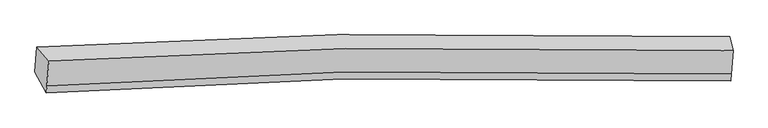
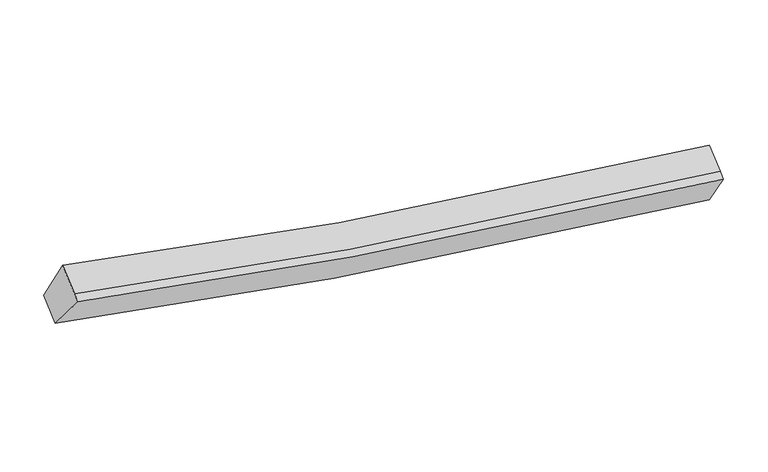
"""IFC4 building model written with IfcOpenShell, lengths in millimetres: proxy geometry."""

from ifc_helpers import new_model, si_unit, frame, origin, place, context, project, spatial, source, transform, mapped, element, save
from ifc_brep_helpers import plane_surface, spline_curve, spline_surface, advanced_brep


def generic_models_3f179dea(model_context):
    return source(origin(), model_context, "Body", "AdvancedBrep", [
        advanced_brep(
        [(-5308.5290532, -1826.6365706, 3950.5650433), (-5102.6997469, -2063.9900258, 4593.2053373), (6658.8209664, -1887.7505981, 2660.2050959), (6601.8414852, -1645.468314, 1989.5773699), (-5138.5167262, -2500.5524618, 4325.8320148), (6625.7957311, -2290.2853019, 2413.6721094), (-5148.2878304, -2619.6495247, 4252.890839), (6616.024627, -2409.3823648, 2340.7309336), (-5343.8385239, -2257.0131363, 3686.9802665), (6569.3237586, -2041.8171474, 1746.832929)],
        [
            (0, 1),
            (1, 2, spline_curve(3, [(-5102.6997469, -2063.9900258, 4593.2053373), (-3414.026526767, -1961.008016944, 4159.195506968), (-1713.467732651, -1891.844202742, 3791.715365024), (2199.30194491, -1811.08288301, 3104.072699193), (4419.250054938, -1821.500221394, 2827.219427423), (6658.8209664, -1887.7505981, 2660.2050959)], [4, 2, 4], [0.0, 17.250427442464876, 39.4155574602388])),
            (2, 3),
            (3, 0, spline_curve(3, [(6601.8414852, -1645.468314, 1989.5773699), (4333.716239339, -1578.528562592, 2159.291204429), (2085.580835201, -1568.329066701, 2440.276097679), (-1876.660726174, -1651.091042613, 3137.812588717), (-3598.648835511, -1721.679957641, 3510.490253062), (-5308.5290532, -1826.6365706, 3950.5650433)], [4, 2, 4], [0.0, 22.165130017773926, 39.4155574602388])),
            (1, 4),
            (4, 5, spline_curve(3, [(-5138.5167262, -2500.5524618, 4325.8320148), (-3448.505651089, -2381.263736318, 3901.80925778), (-1747.016275345, -2300.757345038, 3541.275894475), (2166.949109202, -2205.421910327, 2862.559166683), (4386.897218675, -2215.839249009, 2585.705895645), (6625.7957311, -2290.2853019, 2413.6721094)], [4, 2, 4], [0.0, 17.141293945019616, 39.16619797893103])),
            (5, 2),
            (4, 6),
            (6, 7, spline_curve(3, [(-5148.2878304, -2619.6495247, 4252.890839), (-3458.276755296, -2500.360799253, 3828.868081554), (-1756.787379322, -2419.85440773, 3468.334718202), (2157.178004715, -2324.518973493, 2789.617991491), (4377.12611438, -2334.936311708, 2512.764719858), (6616.024627, -2409.3823648, 2340.7309336)], [4, 2, 4], [0.0, 17.141145742850384, 39.16585935131519])),
            (7, 5),
            (6, 8),
            (8, 9, spline_curve(3, [(-5343.8385239, -2257.0131363, 3686.9802665), (-3632.620451257, -2135.749806902, 3256.892549223), (-1909.701760623, -2053.818314281, 2891.161663774), (2053.73550832, -1956.48222414, 2202.551110762), (4301.870911779, -1966.681720274, 1921.566217692), (6569.3237586, -2041.8171474, 1746.832929)], [4, 2, 4], [0.0, 17.250156702822146, 39.414938846353415])),
            (9, 7),
            (8, 0),
            (3, 9),
        ],
        [
            spline_surface(3, 3, [[(-5308.5290532, -1826.6365706, 3950.5650433), (-3598.648835711, -1721.679957812, 3510.490253104), (-1876.660726419, -1651.091042818, 3137.812588604), (2085.580835516, -1568.329066438, 2440.276097824), (4333.716238991, -1578.528562586, 2159.291204538), (6601.8414852, -1645.468314, 1989.5773699)], [(-5239.919284436, -1905.754388996, 4164.778474608), (-3537.108066071, -1801.455977512, 3726.725337713), (-1822.263061743, -1731.342096153, 3355.780180701), (2123.48787188, -1649.247005256, 2661.541631675), (4362.227510862, -1659.519115438, 2381.933945578), (6620.83464559, -1726.229075398, 2213.119945235)], [(-5171.309515664, -1984.872207404, 4378.991905992), (-3475.567296424, -1881.231997224, 3942.960422399), (-1767.865397081, -1811.593149494, 3573.74777279), (2161.394908231, -1730.164944081, 2882.807165518), (4390.738782762, -1740.509668195, 2604.576686613), (6639.82780601, -1806.989836702, 2436.662520565)], [(-5102.6997469, -2063.9900258, 4593.2053373), (-3414.026526784, -1961.008016925, 4159.195507008), (-1713.467732406, -1891.844202828, 3791.715364886), (2199.301944596, -1811.082882899, 3104.072699369), (4419.250054633, -1821.500221047, 2827.219427653), (6658.8209664, -1887.7505981, 2660.2050959)]], [4, 4], [4, 2, 4], [0.0, 2.3468584038053115], [0.0, 17.250427442464876, 39.4155574602388]),
            spline_surface(3, 3, [[(-5102.6997469, -2063.9900258, 4593.2053373), (-3414.026526784, -1961.008016925, 4159.195507008), (-1713.467732406, -1891.844202828, 3791.715364886), (2199.301944596, -1811.082882899, 3104.072699369), (4419.250054633, -1821.500221047, 2827.219427653), (6658.8209664, -1887.7505981, 2660.2050959)], [(-5114.638739998, -2209.5108378, 4504.080896484), (-3425.519568148, -2101.093256761, 4073.400090563), (-1724.650579986, -2028.148583525, 3708.235541324), (2188.51766601, -1942.529225458, 3023.568188593), (4408.465776048, -1952.946563605, 2746.714916876), (6647.812554651, -2021.92883268, 2578.027433734)], [(-5126.577733102, -2355.0316498, 4414.956455616), (-3437.012609517, -2241.178496598, 3987.604674066), (-1735.833427519, -2164.45296418, 3624.755717761), (2177.733387472, -2073.975567975, 2943.063677815), (4397.68149741, -2084.392906223, 2666.210406099), (6636.804142849, -2156.10706732, 2495.849771566)], [(-5138.5167262, -2500.5524618, 4325.8320148), (-3448.50565088, -2381.263736434, 3901.80925762), (-1747.0162751, -2300.757344877, 3541.275894198), (2166.949108887, -2205.421910533, 2862.559167038), (4386.897218824, -2215.839248781, 2585.705895322), (6625.7957311, -2290.2853019, 2413.6721094)]], [4, 4], [4, 2, 4], [0.0, 1.543094660041968], [0.0, 17.141293945019616, 39.16619797893103]),
            spline_surface(3, 3, [[(-5138.5167262, -2500.5524618, 4325.8320148), (-3448.50565088, -2381.263736434, 3901.80925762), (-1747.0162751, -2300.757344877, 3541.275894198), (2166.949108887, -2205.421910533, 2862.559167038), (4386.897218824, -2215.839248781, 2585.705895322), (6625.7957311, -2290.2853019, 2413.6721094)], [(-5141.773760921, -2540.251482768, 4301.518289525), (-3451.762685601, -2420.962757403, 3877.495532345), (-1750.273309821, -2340.456365845, 3516.962168923), (2163.692074166, -2245.120931502, 2838.245441763), (4383.640184103, -2255.53826975, 2561.392170047), (6622.538696379, -2329.984322868, 2389.358384125)], [(-5145.030795679, -2579.950503732, 4277.204564275), (-3455.019720359, -2460.661778366, 3853.181807095), (-1753.530344579, -2380.155386808, 3492.648443673), (2160.435039408, -2284.819952465, 2813.931716513), (4380.383149446, -2295.237290713, 2537.078444797), (6619.281661721, -2369.683343832, 2365.044658875)], [(-5148.2878304, -2619.6495247, 4252.890839), (-3458.27675508, -2500.360799334, 3828.86808182), (-1756.7873793, -2419.854407777, 3468.334718398), (2157.178004687, -2324.518973433, 2789.617991238), (4377.126114724, -2334.936311681, 2512.764719522), (6616.024627, -2409.3823648, 2340.7309336)]], [4, 4], [4, 2, 4], [0.0, 0.4593175853018384], [0.0, 17.141145742850384, 39.16585935131519]),
            spline_surface(3, 3, [[(-5148.2878304, -2619.6495247, 4252.890839), (-3458.27675508, -2500.360799334, 3828.86808182), (-1756.7873793, -2419.854407777, 3468.334718398), (2157.178004687, -2324.518973433, 2789.617991238), (4377.126114724, -2334.936311681, 2512.764719522), (6616.024627, -2409.3823648, 2340.7309336)], [(-5213.471394911, -2498.770728557, 4064.253981506), (-3516.391320466, -2378.823801887, 3638.209571025), (-1807.758839721, -2297.842376696, 3275.943700116), (2122.697172576, -2201.840056868, 2593.929031202), (4352.041047107, -2212.184781083, 2315.698552296), (6600.457670864, -2286.860625655, 2142.76493208)], [(-5278.654959389, -2377.891932443, 3875.617123994), (-3574.50588582, -2257.286804469, 3447.551060211), (-1858.730300191, -2175.830345648, 3083.552681799), (2088.216340418, -2079.161140337, 2398.24007113), (4326.9559795, -2089.433250519, 2118.632385032), (6584.890714736, -2164.338886545, 1944.79893052)], [(-5343.8385239, -2257.0131363, 3686.9802665), (-3632.620451207, -2135.749807021, 3256.892549416), (-1909.701760613, -2053.818314567, 2891.161663516), (2053.735508307, -1956.482223772, 2202.551111093), (4301.870911883, -1966.681719921, 1921.566217807), (6569.3237586, -2041.8171474, 1746.832929)]], [4, 4], [4, 2, 4], [0.0, 2.2965815567271415], [0.0, 17.250156702822146, 39.414938846353415]),
            spline_surface(3, 3, [[(-5343.8385239, -2257.0131363, 3686.9802665), (-3632.620451207, -2135.749807021, 3256.892549416), (-1909.701760613, -2053.818314567, 2891.161663516), (2053.735508307, -1956.482223772, 2202.551111093), (4301.870911883, -1966.681719921, 1921.566217807), (6569.3237586, -2041.8171474, 1746.832929)], [(-5332.068700335, -2113.554281078, 3774.841858777), (-3621.296579376, -1997.726523963, 3341.425117322), (-1898.688082565, -1919.575890649, 2973.378638539), (2064.35061736, -1827.097837992, 2281.792773331), (4312.486020935, -1837.297334141, 2000.807880045), (6580.163000817, -1909.700869598, 1827.747742627)], [(-5320.298876765, -1970.095425822, 3862.703451023), (-3609.972707541, -1859.70324087, 3425.957685197), (-1887.674404467, -1785.333466737, 3055.595613581), (2074.965726463, -1697.713452218, 2361.034435587), (4323.101129938, -1707.912948367, 2080.049542301), (6591.002242983, -1777.584591802, 1908.662556273)], [(-5308.5290532, -1826.6365706, 3950.5650433), (-3598.648835711, -1721.679957812, 3510.490253104), (-1876.660726419, -1651.091042818, 3137.812588604), (2085.580835516, -1568.329066438, 2440.276097824), (4333.716238991, -1578.528562586, 2159.291204538), (6601.8414852, -1645.468314, 1989.5773699)]], [4, 4], [4, 2, 4], [0.0, 1.5192378246503464], [0.0, 17.35916907280132, 39.66402156312214]),
            plane_surface(frame((6611.5027093, -1996.1046061, 2184.3365821), z_axis=(0.9953280322519573, -0.024455336849948786, -0.09340259478730942), x_axis=(-0.06671552629902225, 0.5250931677646729, -0.8484257208014769))),
            plane_surface(frame((-5225.8387886, -2191.8223143, 4120.9103715), z_axis=(-0.9576470573325953, -0.08912373845571295, 0.2738048078940523), x_axis=(-0.06979360116864518, -0.8506933064662048, -0.5210083987514097))),
        ],
        [
            (0, [[1, 2, 3, 4]]),
            (1, [[5, 6, 7, -2]]),
            (2, [[8, 9, 10, -6]]),
            (3, [[11, 12, 13, -9]]),
            (4, [[14, -4, 15, -12]]),
            (5, [[-13, -15, -3, -7, -10]]),
            (6, [[-14, -11, -8, -5, -1]]),
        ],
    ),
    ])


if __name__ == "__main__":
    model = new_model("IFC4")
    model_context = context("Model", 3, world=origin())
    ifc_project = project(units=[si_unit("LENGTHUNIT", "METRE", prefix="MILLI")], contexts=[model_context])
    site = spatial("IfcSite", under=ifc_project)
    building = spatial("IfcBuilding", under=site)
    placement = place(None, origin())
    generic_models_shape = generic_models_3f179dea(model_context)
    element("IfcBuildingElementProxy", 1, Name="Generic Models", at=placement, inside=building, context=model_context, shape_type="MappedRepresentation", body=[
        mapped(generic_models_shape, transform((0.0, 0.0, 0.0), x_axis=(1.0, 0.0, 0.0), y_axis=(0.0, 1.0, 0.0), z_axis=(0.0, 0.0, 1.0))),
    ])
    save(model, "model.ifc")
